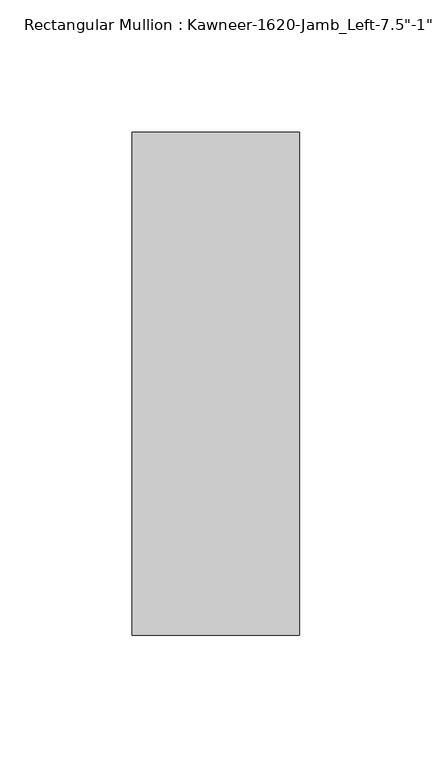
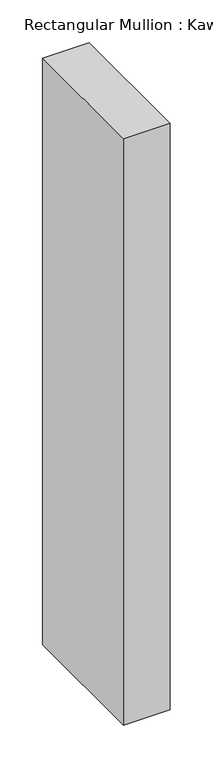
"""IFC4 building model written with IfcOpenShell, lengths in millimetres: member geometry."""

from ifc_helpers import new_model, si_unit, frame, origin, place, context, project, spatial, polyline, outline, extrude, source, transform, mapped, element, save


def member_2207dc7a(model_context):
    return source(origin(), model_context, "Body", "SweptSolid", [
        extrude(outline(polyline([(-63.5, 38.1), (0.0, 38.1), (0.0, -152.4), (-63.5, -152.4), (-63.5, 38.1)])), frame((0.0, 0.0, -841.375), z_axis=(0.0, 0.0, 1.0), x_axis=(1.0, 0.0, 0.0)), (0.0, 0.0, 1.0), 841.375),
    ])


if __name__ == "__main__":
    model = new_model("IFC4")
    model_context = context("Model", 3, world=origin())
    ifc_project = project(units=[si_unit("LENGTHUNIT", "METRE", prefix="MILLI")], contexts=[model_context])
    site = spatial("IfcSite", under=ifc_project)
    building = spatial("IfcBuilding", under=site)
    placement = place(None, origin())
    member_shape = member_2207dc7a(model_context)
    element("IfcMember", 1, ObjectType="Rectangular Mullion : Kawneer-1620-Jamb_Left-7.5\"-1\"Infill", at=placement, inside=building, context=model_context, shape_type="MappedRepresentation", body=[
        mapped(member_shape, transform((0.0, 0.0, 0.0), x_axis=(1.0, 0.0, 0.0), y_axis=(0.0, 1.0, 0.0), z_axis=(0.0, 0.0, 1.0))),
    ])
    save(model, "model.ifc")
